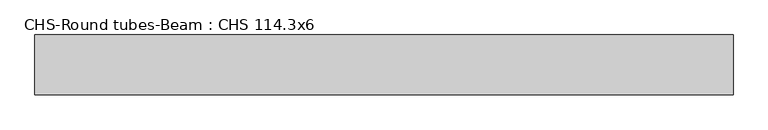
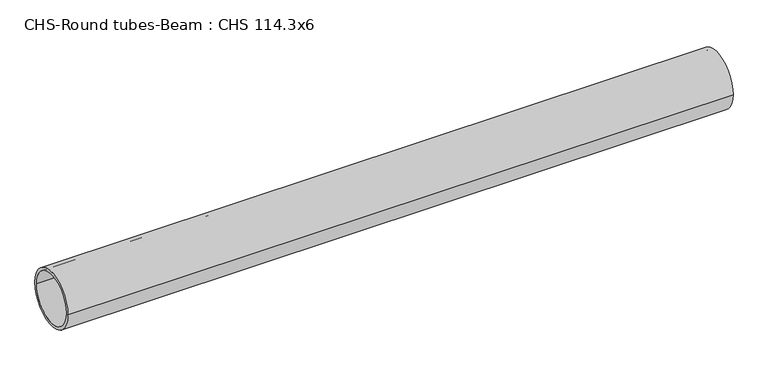
"""IFC4 building model written with IfcOpenShell, lengths in millimetres: beam geometry, CHS-Round tubes-Beam : CHS 114.3x6."""

import ifcopenshell
import ifcopenshell.guid

model = None  # the IFC model being written
_history = None  # IfcOwnerHistory: only IFC2X3 demands one
_inside = {}  # id of a spatial element -> (the spatial element, [elements in it])
_under = {}  # id of a project, library or spatial element -> (it, [spatial elements below it])
_declared = {}  # id of a project -> (the project, [libraries it declares])
_typed = {}  # id of a type object -> (the type object, [elements of that type])
_made_of = {}  # id of a material, layer set ... -> (it, [elements and type objects made of it])


def new_model(schema):
    """Start an empty IFC model of exactly this schema.

    Asked for "IFC4X3", IfcOpenShell would pick the latest addendum, in which some entities
    have other attributes; the version numbers below select the first issue.
    IFC2X3 requires an IfcOwnerHistory on every rooted entity: one is made here for all.
    """
    global model, _history
    if schema == "IFC4X3":
        model = ifcopenshell.file(schema_version=(4, 3, 0, 0))
    else:
        model = ifcopenshell.file(schema=schema)
    _inside.clear()
    _under.clear()
    _declared.clear()
    _typed.clear()
    _made_of.clear()
    _history = None
    if model.schema == "IFC2X3":
        org = make("IfcOrganization", Name="unknown")
        user = make(
            "IfcPersonAndOrganization",
            ThePerson=make("IfcPerson", FamilyName="unknown"),
            TheOrganization=org,
        )
        app = make(
            "IfcApplication",
            ApplicationDeveloper=org,
            Version="unknown",
            ApplicationFullName="unknown",
            ApplicationIdentifier="unknown",
        )
        _history = make(
            "IfcOwnerHistory",
            OwningUser=user,
            OwningApplication=app,
            ChangeAction="ADDED",
            CreationDate=0,
        )
    return model


def make(cls, **values):
    """One entity of the class cls with the attributes given. An attribute that is None is left unset."""
    return model.create_entity(
        cls, **{name: value for name, value in values.items() if value is not None}
    )


def rooted(cls, **values):
    """An entity with a GlobalId (a new one), such as an element, a storey or a relation."""
    return make(cls, GlobalId=ifcopenshell.guid.new(), OwnerHistory=_history, **values)


def si_unit(unit_type, name, prefix=None):
    """IfcSIUnit, for example si_unit("LENGTHUNIT", "METRE", prefix="MILLI")."""
    return make("IfcSIUnit", UnitType=unit_type, Prefix=prefix, Name=name)


def assignment(units):
    """IfcUnitAssignment: the units of a project."""
    return None if units is None else make("IfcUnitAssignment", Units=units)


def point(xyz):
    """IfcCartesianPoint."""
    return None if xyz is None else make("IfcCartesianPoint", Coordinates=xyz)


def direction(xyz):
    """IfcDirection."""
    return None if xyz is None else make("IfcDirection", DirectionRatios=xyz)


def frame(location, z_axis=None, x_axis=None):
    """IfcAxis2Placement3D, a coordinate frame: its origin and axes. An axis left out is left unset."""
    return make(
        "IfcAxis2Placement3D",
        Location=point(location),
        Axis=direction(z_axis),
        RefDirection=direction(x_axis),
    )


def frame_2d(location, x_axis=None):
    """IfcAxis2Placement2D, a coordinate frame in the plane: its origin and x axis."""
    return make(
        "IfcAxis2Placement2D", Location=point(location), RefDirection=direction(x_axis)
    )


def origin():
    """The frame at (0, 0, 0) with its axes left unset."""
    return frame((0.0, 0.0, 0.0))


def origin_2d():
    """The frame at (0, 0) in the plane with its x axis left unset."""
    return frame_2d((0.0, 0.0))


def place(relative_to, where):
    """IfcLocalPlacement: puts the frame where relative to a parent placement (None: the world)."""
    return make(
        "IfcLocalPlacement", PlacementRelTo=relative_to, RelativePlacement=where
    )


def context(
    kind, dimensions, precision=None, world=None, true_north=None, identifier=None
):
    """IfcGeometricRepresentationContext, for example the 3D "Model" context."""
    return make(
        "IfcGeometricRepresentationContext",
        ContextIdentifier=identifier,
        ContextType=kind,
        CoordinateSpaceDimension=dimensions,
        Precision=precision,
        WorldCoordinateSystem=world,
        TrueNorth=true_north,
    )


def project(units=None, contexts=None):
    """IfcProject with its units and contexts."""
    return rooted(
        "IfcProject",
        Name="project",
        RepresentationContexts=contexts,
        UnitsInContext=assignment(units),
    )


def spatial(cls, under=None, at=None, **own):
    """A site, building, storey or space (cls), placed at a placement, below another one or the project."""
    s = rooted(cls, ObjectPlacement=at, **own)
    if under is not None:
        _under.setdefault(under.id(), (under, []))[1].append(s)
    return s


def circle_curve(where, radius):
    """IfcCircle in the frame where."""
    return make("IfcCircle", Position=where, Radius=radius)


def trimmed(basis, trim1, trim2, sense, master):
    """IfcTrimmedCurve: the piece of a basis curve between two trims."""
    return make(
        "IfcTrimmedCurve",
        BasisCurve=basis,
        Trim1=trim1,
        Trim2=trim2,
        SenseAgreement=sense,
        MasterRepresentation=master,
    )


def segment(curve, same_sense, transition):
    """IfcCompositeCurveSegment."""
    return make(
        "IfcCompositeCurveSegment",
        Transition=transition,
        SameSense=same_sense,
        ParentCurve=curve,
    )


def composite_curve(segments, self_intersect=None):
    """IfcCompositeCurve: segments joined end to end."""
    return make("IfcCompositeCurve", Segments=segments, SelfIntersect=self_intersect)


def outline(outer, holes=None, kind="AREA"):
    """IfcArbitraryClosedProfileDef: a profile drawn as a closed curve; with holes, ...WithVoids."""
    if holes is None:
        return make("IfcArbitraryClosedProfileDef", ProfileType=kind, OuterCurve=outer)
    return make(
        "IfcArbitraryProfileDefWithVoids",
        ProfileType=kind,
        OuterCurve=outer,
        InnerCurves=holes,
    )


def extrude(swept, where, along, depth):
    """IfcExtrudedAreaSolid: the profile swept, set in the frame where, extruded along a direction by depth."""
    return make(
        "IfcExtrudedAreaSolid",
        SweptArea=swept,
        Position=where,
        ExtrudedDirection=direction(along),
        Depth=depth,
    )


def shape(context_of_items, identifier, shape_type, items):
    """IfcShapeRepresentation: the items that make up one representation, for example the "Body"."""
    return make(
        "IfcShapeRepresentation",
        ContextOfItems=context_of_items,
        RepresentationIdentifier=identifier,
        RepresentationType=shape_type,
        Items=items,
    )


def source(mapping_origin, context_of_items, identifier, shape_type, items):
    """IfcRepresentationMap: a shape defined once, which mapped items show again and again."""
    return make(
        "IfcRepresentationMap",
        MappingOrigin=mapping_origin,
        MappedRepresentation=shape(context_of_items, identifier, shape_type, items),
    )


def transform(
    local_origin,
    x_axis=None,
    y_axis=None,
    z_axis=None,
    scale=None,
    scale2=None,
    scale3=None,
    uniform=True,
):
    """IfcCartesianTransformationOperator3D, or its non-uniform kind. x_axis, y_axis, z_axis: its Axis1, 2, 3."""
    if uniform:
        return make(
            "IfcCartesianTransformationOperator3D",
            Axis1=direction(x_axis),
            Axis2=direction(y_axis),
            LocalOrigin=point(local_origin),
            Scale=scale,
            Axis3=direction(z_axis),
        )
    return make(
        "IfcCartesianTransformationOperator3DnonUniform",
        Axis1=direction(x_axis),
        Axis2=direction(y_axis),
        LocalOrigin=point(local_origin),
        Scale=scale,
        Axis3=direction(z_axis),
        Scale2=scale2,
        Scale3=scale3,
    )


def mapped(mapping_source, mapping_target):
    """IfcMappedItem: shows the shape of a source again, moved by a transform."""
    return make(
        "IfcMappedItem", MappingSource=mapping_source, MappingTarget=mapping_target
    )


def made_of(thing, what):
    """Note that an element or type object is made of a material, layer set ...; save() writes the relation."""
    if what is not None:
        _made_of.setdefault(what.id(), (what, []))[1].append(thing)
    return thing


def element(
    cls,
    number,
    at=None,
    inside=None,
    cuts=None,
    type_object=None,
    material=None,
    context=None,
    identifier="Body",
    shape_type=None,
    held_by="IfcProductDefinitionShape",
    body=None,
    shapes=None,
    **own,
):
    """One element of the class cls, such as IfcWall. Its Tag is "e" and its number.

    at: its placement. inside: the storey or other place that contains it. cuts: it is an
    opening in that element (IfcRelVoidsElement). A single representation is given by context,
    identifier, shape_type and body (its items); several are given by shapes. held_by: the class
    of the entity that holds the representations. save() writes the other relations.
    """
    e = rooted(cls, Tag="e%d" % number, ObjectPlacement=at, **own)
    if body is not None:
        shapes = [shape(context, identifier, shape_type, body)]
    if shapes is not None:
        e.Representation = make(held_by, Representations=shapes)
    if inside is not None:
        _inside.setdefault(inside.id(), (inside, []))[1].append(e)
    if cuts is not None:
        rooted(
            "IfcRelVoidsElement", RelatingBuildingElement=cuts, RelatedOpeningElement=e
        )
    if type_object is not None:
        _typed.setdefault(type_object.id(), (type_object, []))[1].append(e)
    return made_of(e, material)


def aggregate(whole, parts):
    """IfcRelAggregates: a whole, such as a stair, and the parts it consists of."""
    return rooted("IfcRelAggregates", RelatingObject=whole, RelatedObjects=parts)


def save(model, path):
    """Write the relations noted so far, then the file.

    IfcRelAggregates (storeys below a building ...), IfcRelContainedInSpatialStructure (elements
    in a storey), IfcRelDefinesByType, IfcRelAssociatesMaterial and IfcRelDeclares: one each for
    every whole, place, type object, material and project.
    """
    for whole, parts in _under.values():
        aggregate(whole, parts)
    for where, things in _inside.values():
        rooted(
            "IfcRelContainedInSpatialStructure",
            RelatedElements=things,
            RelatingStructure=where,
        )
    for kind, things in _typed.values():
        rooted("IfcRelDefinesByType", RelatedObjects=things, RelatingType=kind)
    for what, things in _made_of.values():
        rooted("IfcRelAssociatesMaterial", RelatedObjects=things, RelatingMaterial=what)
    for by, libraries in _declared.values():
        rooted("IfcRelDeclares", RelatingContext=by, RelatedDefinitions=libraries)
    model.write(path)


def chs_round_tubes_beam_chs_114_3x6_85b6ed2b(model_context):
    return source(origin(), model_context, "Body", "SweptSolid", [
        extrude(outline(composite_curve([segment(trimmed(circle_curve(origin_2d(), 57.15), [point((57.15, 0.0))], [point((-57.15, 0.0))], False, "CARTESIAN"), True, "CONTINUOUS"), segment(trimmed(circle_curve(origin_2d(), 57.15), [point((-57.15, 0.0))], [point((57.15, 0.0))], False, "CARTESIAN"), True, "CONTINUOUS")], self_intersect=False), holes=[composite_curve([segment(trimmed(circle_curve(origin_2d(), 51.15), [point((51.15, 0.0))], [point((-51.15, 0.0))], True, "CARTESIAN"), True, "CONTINUOUS"), segment(trimmed(circle_curve(origin_2d(), 51.15), [point((-51.15, 0.0))], [point((51.15, 0.0))], True, "CARTESIAN"), True, "CONTINUOUS")], self_intersect=False)]), frame((-705.1917476, 0.0, 0.0), z_axis=(1.0, 0.0, 0.0), x_axis=(0.0, 1.0, 0.0)), (0.0, 0.0, 1.0), 1331.3214778),
    ])


if __name__ == "__main__":
    model = new_model("IFC4")
    model_context = context("Model", 3, world=origin())
    ifc_project = project(units=[si_unit("LENGTHUNIT", "METRE", prefix="MILLI")], contexts=[model_context])
    site = spatial("IfcSite", under=ifc_project)
    building = spatial("IfcBuilding", under=site)
    placement = place(None, origin())
    chs_round_tubes_beam_chs_114_3x6_shape = chs_round_tubes_beam_chs_114_3x6_85b6ed2b(model_context)
    element("IfcBeam", 1, ObjectType="CHS-Round tubes-Beam : CHS 114.3x6", at=placement, inside=building, context=model_context, shape_type="MappedRepresentation", body=[
        mapped(chs_round_tubes_beam_chs_114_3x6_shape, transform((0.0, 0.0, 0.0), x_axis=(1.0, 0.0, 0.0), y_axis=(0.0, 1.0, 0.0), z_axis=(0.0, 0.0, 1.0))),
    ])
    save(model, "model.ifc")
